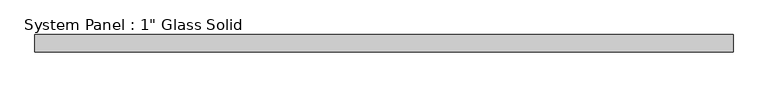
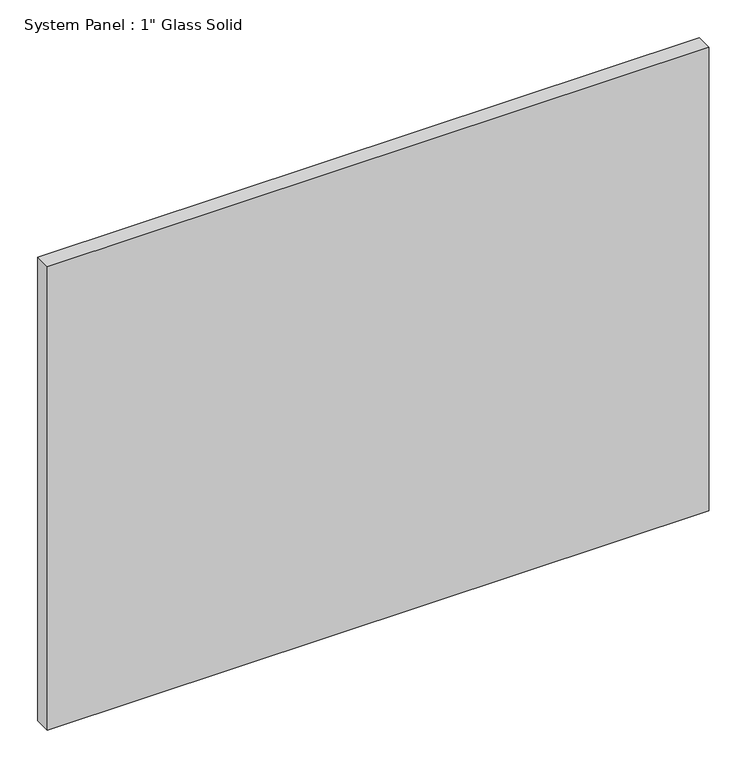
"""IFC4 building model written with IfcOpenShell, lengths in millimetres: plate geometry."""

from ifc_helpers import new_model, si_unit, origin, origin_with_axes, place, context, project, spatial, polyline, outline, extrude, source, transform, mapped, element, save


def plate_c8aec892(model_context):
    return source(origin(), model_context, "Body", "SweptSolid", [
        extrude(outline(polyline([(505.61875, -12.7), (-505.61875, -12.7), (-505.61875, 12.7), (505.61875, 12.7), (505.61875, -12.7)])), origin_with_axes(), (0.0, 0.0, 1.0), 748.7596948),
    ])


if __name__ == "__main__":
    model = new_model("IFC4")
    model_context = context("Model", 3, world=origin())
    ifc_project = project(units=[si_unit("LENGTHUNIT", "METRE", prefix="MILLI")], contexts=[model_context])
    site = spatial("IfcSite", under=ifc_project)
    building = spatial("IfcBuilding", under=site)
    placement = place(None, origin())
    plate_shape = plate_c8aec892(model_context)
    element("IfcPlate", 1, ObjectType="System Panel : 1\" Glass Solid", at=placement, inside=building, context=model_context, shape_type="MappedRepresentation", body=[
        mapped(plate_shape, transform((0.0, 0.0, 0.0), x_axis=(1.0, 0.0, 0.0), y_axis=(0.0, 1.0, 0.0), z_axis=(0.0, 0.0, 1.0))),
    ])
    save(model, "model.ifc")
